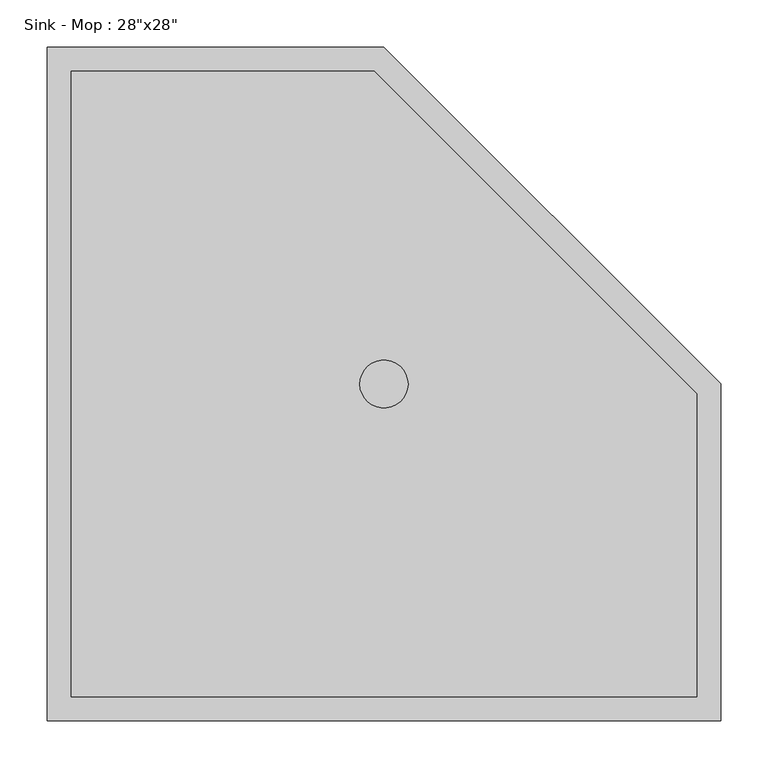
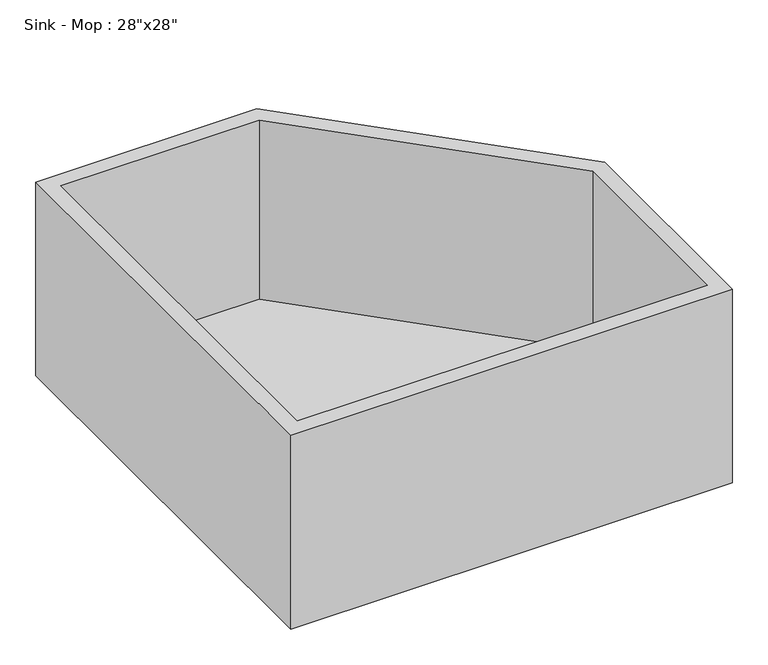
"""IFC4 building model written with IfcOpenShell, lengths in millimetres: flow terminal geometry."""

import ifcopenshell
import ifcopenshell.guid

model = None  # the IFC model being written
_history = None  # IfcOwnerHistory: only IFC2X3 demands one
_inside = {}  # id of a spatial element -> (the spatial element, [elements in it])
_under = {}  # id of a project, library or spatial element -> (it, [spatial elements below it])
_declared = {}  # id of a project -> (the project, [libraries it declares])
_typed = {}  # id of a type object -> (the type object, [elements of that type])
_made_of = {}  # id of a material, layer set ... -> (it, [elements and type objects made of it])


def new_model(schema):
    """Start an empty IFC model of exactly this schema.

    Asked for "IFC4X3", IfcOpenShell would pick the latest addendum, in which some entities
    have other attributes; the version numbers below select the first issue.
    IFC2X3 requires an IfcOwnerHistory on every rooted entity: one is made here for all.
    """
    global model, _history
    if schema == "IFC4X3":
        model = ifcopenshell.file(schema_version=(4, 3, 0, 0))
    else:
        model = ifcopenshell.file(schema=schema)
    _inside.clear()
    _under.clear()
    _declared.clear()
    _typed.clear()
    _made_of.clear()
    _history = None
    if model.schema == "IFC2X3":
        org = make("IfcOrganization", Name="unknown")
        user = make(
            "IfcPersonAndOrganization",
            ThePerson=make("IfcPerson", FamilyName="unknown"),
            TheOrganization=org,
        )
        app = make(
            "IfcApplication",
            ApplicationDeveloper=org,
            Version="unknown",
            ApplicationFullName="unknown",
            ApplicationIdentifier="unknown",
        )
        _history = make(
            "IfcOwnerHistory",
            OwningUser=user,
            OwningApplication=app,
            ChangeAction="ADDED",
            CreationDate=0,
        )
    return model


def make(cls, **values):
    """One entity of the class cls with the attributes given. An attribute that is None is left unset."""
    return model.create_entity(
        cls, **{name: value for name, value in values.items() if value is not None}
    )


def rooted(cls, **values):
    """An entity with a GlobalId (a new one), such as an element, a storey or a relation."""
    return make(cls, GlobalId=ifcopenshell.guid.new(), OwnerHistory=_history, **values)


def si_unit(unit_type, name, prefix=None):
    """IfcSIUnit, for example si_unit("LENGTHUNIT", "METRE", prefix="MILLI")."""
    return make("IfcSIUnit", UnitType=unit_type, Prefix=prefix, Name=name)


def assignment(units):
    """IfcUnitAssignment: the units of a project."""
    return None if units is None else make("IfcUnitAssignment", Units=units)


def point(xyz):
    """IfcCartesianPoint."""
    return None if xyz is None else make("IfcCartesianPoint", Coordinates=xyz)


def direction(xyz):
    """IfcDirection."""
    return None if xyz is None else make("IfcDirection", DirectionRatios=xyz)


def frame(location, z_axis=None, x_axis=None):
    """IfcAxis2Placement3D, a coordinate frame: its origin and axes. An axis left out is left unset."""
    return make(
        "IfcAxis2Placement3D",
        Location=point(location),
        Axis=direction(z_axis),
        RefDirection=direction(x_axis),
    )


def frame_2d(location, x_axis=None):
    """IfcAxis2Placement2D, a coordinate frame in the plane: its origin and x axis."""
    return make(
        "IfcAxis2Placement2D", Location=point(location), RefDirection=direction(x_axis)
    )


def origin():
    """The frame at (0, 0, 0) with its axes left unset."""
    return frame((0.0, 0.0, 0.0))


def origin_with_axes():
    """The frame at (0, 0, 0) with the z axis (0, 0, 1) and the x axis (1, 0, 0) written out."""
    return frame((0.0, 0.0, 0.0), z_axis=(0.0, 0.0, 1.0), x_axis=(1.0, 0.0, 0.0))


def place(relative_to, where):
    """IfcLocalPlacement: puts the frame where relative to a parent placement (None: the world)."""
    return make(
        "IfcLocalPlacement", PlacementRelTo=relative_to, RelativePlacement=where
    )


def context(
    kind, dimensions, precision=None, world=None, true_north=None, identifier=None
):
    """IfcGeometricRepresentationContext, for example the 3D "Model" context."""
    return make(
        "IfcGeometricRepresentationContext",
        ContextIdentifier=identifier,
        ContextType=kind,
        CoordinateSpaceDimension=dimensions,
        Precision=precision,
        WorldCoordinateSystem=world,
        TrueNorth=true_north,
    )


def project(units=None, contexts=None):
    """IfcProject with its units and contexts."""
    return rooted(
        "IfcProject",
        Name="project",
        RepresentationContexts=contexts,
        UnitsInContext=assignment(units),
    )


def spatial(cls, under=None, at=None, **own):
    """A site, building, storey or space (cls), placed at a placement, below another one or the project."""
    s = rooted(cls, ObjectPlacement=at, **own)
    if under is not None:
        _under.setdefault(under.id(), (under, []))[1].append(s)
    return s


def polyline(points):
    """IfcPolyline through the points."""
    return make("IfcPolyline", Points=[point(p) for p in points])


def circle_curve(where, radius):
    """IfcCircle in the frame where."""
    return make("IfcCircle", Position=where, Radius=radius)


def trimmed(basis, trim1, trim2, sense, master):
    """IfcTrimmedCurve: the piece of a basis curve between two trims."""
    return make(
        "IfcTrimmedCurve",
        BasisCurve=basis,
        Trim1=trim1,
        Trim2=trim2,
        SenseAgreement=sense,
        MasterRepresentation=master,
    )


def segment(curve, same_sense, transition):
    """IfcCompositeCurveSegment."""
    return make(
        "IfcCompositeCurveSegment",
        Transition=transition,
        SameSense=same_sense,
        ParentCurve=curve,
    )


def composite_curve(segments, self_intersect=None):
    """IfcCompositeCurve: segments joined end to end."""
    return make("IfcCompositeCurve", Segments=segments, SelfIntersect=self_intersect)


def outline(outer, holes=None, kind="AREA"):
    """IfcArbitraryClosedProfileDef: a profile drawn as a closed curve; with holes, ...WithVoids."""
    if holes is None:
        return make("IfcArbitraryClosedProfileDef", ProfileType=kind, OuterCurve=outer)
    return make(
        "IfcArbitraryProfileDefWithVoids",
        ProfileType=kind,
        OuterCurve=outer,
        InnerCurves=holes,
    )


def extrude(swept, where, along, depth):
    """IfcExtrudedAreaSolid: the profile swept, set in the frame where, extruded along a direction by depth."""
    return make(
        "IfcExtrudedAreaSolid",
        SweptArea=swept,
        Position=where,
        ExtrudedDirection=direction(along),
        Depth=depth,
    )


def shape(context_of_items, identifier, shape_type, items):
    """IfcShapeRepresentation: the items that make up one representation, for example the "Body"."""
    return make(
        "IfcShapeRepresentation",
        ContextOfItems=context_of_items,
        RepresentationIdentifier=identifier,
        RepresentationType=shape_type,
        Items=items,
    )


def source(mapping_origin, context_of_items, identifier, shape_type, items):
    """IfcRepresentationMap: a shape defined once, which mapped items show again and again."""
    return make(
        "IfcRepresentationMap",
        MappingOrigin=mapping_origin,
        MappedRepresentation=shape(context_of_items, identifier, shape_type, items),
    )


def transform(
    local_origin,
    x_axis=None,
    y_axis=None,
    z_axis=None,
    scale=None,
    scale2=None,
    scale3=None,
    uniform=True,
):
    """IfcCartesianTransformationOperator3D, or its non-uniform kind. x_axis, y_axis, z_axis: its Axis1, 2, 3."""
    if uniform:
        return make(
            "IfcCartesianTransformationOperator3D",
            Axis1=direction(x_axis),
            Axis2=direction(y_axis),
            LocalOrigin=point(local_origin),
            Scale=scale,
            Axis3=direction(z_axis),
        )
    return make(
        "IfcCartesianTransformationOperator3DnonUniform",
        Axis1=direction(x_axis),
        Axis2=direction(y_axis),
        LocalOrigin=point(local_origin),
        Scale=scale,
        Axis3=direction(z_axis),
        Scale2=scale2,
        Scale3=scale3,
    )


def mapped(mapping_source, mapping_target):
    """IfcMappedItem: shows the shape of a source again, moved by a transform."""
    return make(
        "IfcMappedItem", MappingSource=mapping_source, MappingTarget=mapping_target
    )


def made_of(thing, what):
    """Note that an element or type object is made of a material, layer set ...; save() writes the relation."""
    if what is not None:
        _made_of.setdefault(what.id(), (what, []))[1].append(thing)
    return thing


def element(
    cls,
    number,
    at=None,
    inside=None,
    cuts=None,
    type_object=None,
    material=None,
    context=None,
    identifier="Body",
    shape_type=None,
    held_by="IfcProductDefinitionShape",
    body=None,
    shapes=None,
    **own,
):
    """One element of the class cls, such as IfcWall. Its Tag is "e" and its number.

    at: its placement. inside: the storey or other place that contains it. cuts: it is an
    opening in that element (IfcRelVoidsElement). A single representation is given by context,
    identifier, shape_type and body (its items); several are given by shapes. held_by: the class
    of the entity that holds the representations. save() writes the other relations.
    """
    e = rooted(cls, Tag="e%d" % number, ObjectPlacement=at, **own)
    if body is not None:
        shapes = [shape(context, identifier, shape_type, body)]
    if shapes is not None:
        e.Representation = make(held_by, Representations=shapes)
    if inside is not None:
        _inside.setdefault(inside.id(), (inside, []))[1].append(e)
    if cuts is not None:
        rooted(
            "IfcRelVoidsElement", RelatingBuildingElement=cuts, RelatedOpeningElement=e
        )
    if type_object is not None:
        _typed.setdefault(type_object.id(), (type_object, []))[1].append(e)
    return made_of(e, material)


def aggregate(whole, parts):
    """IfcRelAggregates: a whole, such as a stair, and the parts it consists of."""
    return rooted("IfcRelAggregates", RelatingObject=whole, RelatedObjects=parts)


def save(model, path):
    """Write the relations noted so far, then the file.

    IfcRelAggregates (storeys below a building ...), IfcRelContainedInSpatialStructure (elements
    in a storey), IfcRelDefinesByType, IfcRelAssociatesMaterial and IfcRelDeclares: one each for
    every whole, place, type object, material and project.
    """
    for whole, parts in _under.values():
        aggregate(whole, parts)
    for where, things in _inside.values():
        rooted(
            "IfcRelContainedInSpatialStructure",
            RelatedElements=things,
            RelatingStructure=where,
        )
    for kind, things in _typed.values():
        rooted("IfcRelDefinesByType", RelatedObjects=things, RelatingType=kind)
    for what, things in _made_of.values():
        rooted("IfcRelAssociatesMaterial", RelatedObjects=things, RelatingMaterial=what)
    for by, libraries in _declared.values():
        rooted("IfcRelDeclares", RelatingContext=by, RelatedDefinitions=libraries)
    model.write(path)


def plane_surface(at):
    """IfcPlane: the flat surface through the origin of the frame at, square to its z axis."""
    return make("IfcPlane", Position=at)


def revolved_surface(curve, axis_point, axis_direction):
    """IfcSurfaceOfRevolution: the curve turned about the line through axis_point along axis_direction."""
    return make(
        "IfcSurfaceOfRevolution",
        SweptCurve=make("IfcArbitraryOpenProfileDef", ProfileType="CURVE", Curve=curve),
        AxisPosition=make("IfcAxis1Placement", Location=point(axis_point), Axis=direction(axis_direction)),
    )


def advanced_brep(points, edges, surfaces, faces):
    """IfcAdvancedBrep: a solid bounded by faces that lie on surfaces and meet in shared edges.

    An edge is (start, end): straight between two places in points (the first is 0);
    or (start, end, curve); or (start, end, curve, False) where it runs against its curve.
    A face is (place in surfaces, loops), or (place, loops, False) where it looks against
    its surface's normal. A loop lists edges by number (the first is 1), with a minus sign
    where the edge is run from its end to its start. The first loop is the outer one.
    """
    corners = [point(p) for p in points]
    vertices = [make("IfcVertexPoint", VertexGeometry=c) for c in corners]
    made = []
    for start, end, *more in edges:
        made.append(
            make(
                "IfcEdgeCurve",
                EdgeStart=vertices[start],
                EdgeEnd=vertices[end],
                EdgeGeometry=more[0] if more else make("IfcPolyline", Points=[corners[start], corners[end]]),
                SameSense=more[1] if len(more) > 1 else True,
            )
        )
    hull = []
    for where, loops, *sense in faces:
        bounds = []
        for j, loop in enumerate(loops):
            ring = [make("IfcOrientedEdge", EdgeElement=made[abs(k) - 1], Orientation=k > 0) for k in loop]
            bounds.append(
                make(
                    "IfcFaceOuterBound" if j == 0 else "IfcFaceBound",
                    Bound=make("IfcEdgeLoop", EdgeList=ring),
                    Orientation=True,
                )
            )
        hull.append(make("IfcAdvancedFace", Bounds=bounds, FaceSurface=surfaces[where], SameSense=sense[0] if sense else True))
    return make("IfcAdvancedBrep", Outer=make("IfcClosedShell", CfsFaces=hull))


def flow_terminal_7b5c5b30(model_context):
    return source(origin(), model_context, "Body", "SolidModel", [
        extrude(outline(composite_curve([segment(trimmed(circle_curve(frame_2d((355.6, 355.6)), 25.4), [point((330.2, 355.6))], [point((381.0, 355.6))], False, "CARTESIAN"), True, "CONTINUOUS"), segment(trimmed(circle_curve(frame_2d((355.6, 355.6)), 25.4), [point((381.0, 355.6))], [point((330.2, 355.6))], False, "CARTESIAN"), True, "CONTINUOUS")], self_intersect=False)), origin_with_axes(), (0.0, 0.0, 1.0), 25.4),
        advanced_brep(
        [(711.2, 0.0, 330.2), (711.2, 355.6, 330.2), (355.6, 711.2, 330.2), (0.0, 711.2, 330.2), (0.0, 0.0, 330.2), (25.4, 25.4, 330.2), (25.4, 685.8, 330.2), (345.0789755, 685.8, 330.2), (685.8, 345.0789755, 330.2), (685.8, 25.4, 330.2), (711.2, 0.0, 0.0), (0.0, 0.0, 0.0), (0.0, 711.2, 0.0), (355.6, 711.2, 0.0), (711.2, 355.6, 0.0), (330.2, 355.6, 0.0), (381.0, 355.6, 0.0), (685.8, 25.4, 25.4), (685.8, 345.0789755, 25.4), (345.0789755, 685.8, 25.4), (25.4, 685.8, 25.4), (25.4, 25.4, 25.4), (381.0, 355.6, 25.4), (330.2, 355.6, 25.4)],
        [
            (0, 1),
            (1, 2),
            (2, 3),
            (3, 4),
            (4, 0),
            (5, 6),
            (6, 7),
            (7, 8),
            (8, 9),
            (9, 5),
            (10, 11),
            (11, 12),
            (12, 13),
            (13, 14),
            (14, 10),
            (15, 16, circle_curve(frame((355.6, 355.6, 0.0), z_axis=(0.0, 0.0, 1.0), x_axis=(1.0, 0.0, 0.0)), 25.4)),
            (16, 15, circle_curve(frame((355.6, 355.6, 0.0), z_axis=(0.0, 0.0, 1.0), x_axis=(1.0, 0.0, 0.0)), 25.4)),
            (4, 11),
            (10, 0),
            (3, 12),
            (2, 13),
            (1, 14),
            (17, 18),
            (18, 19),
            (19, 20),
            (20, 21),
            (21, 17),
            (22, 23, circle_curve(frame((355.6, 355.6, 25.4), z_axis=(0.0, 0.0, -1.0), x_axis=(1.0, 0.0, 0.0)), 25.4)),
            (23, 22, circle_curve(frame((355.6, 355.6, 25.4), z_axis=(0.0, 0.0, -1.0), x_axis=(1.0, 0.0, 0.0)), 25.4)),
            (21, 5),
            (9, 17),
            (20, 6),
            (19, 7),
            (18, 8),
            (23, 15),
            (16, 22),
        ],
        [
            plane_surface(frame((0.0, 0.0, 330.2), z_axis=(0.0, 0.0, 1.0), x_axis=(-1.0, 0.0, 0.0))),
            plane_surface(frame((0.0, 0.0, 0.0), z_axis=(0.0, 0.0, -1.0), x_axis=(1.0, 0.0, 0.0))),
            plane_surface(frame((711.2, 0.0, 330.2), z_axis=(0.0, -1.0, 0.0), x_axis=(0.0, 0.0, -1.0))),
            plane_surface(frame((0.0, 0.0, 330.2), z_axis=(-1.0, 0.0, 0.0), x_axis=(0.0, 0.0, -1.0))),
            plane_surface(frame((0.0, 711.2, 330.2), z_axis=(0.0, 1.0, 0.0), x_axis=(0.0, 0.0, -1.0))),
            plane_surface(frame((355.6, 711.2, 330.2), z_axis=(0.7071067811865531, 0.707106781186542, 0.0), x_axis=(0.0, 0.0, -1.0))),
            plane_surface(frame((711.2, 355.6, 330.2), z_axis=(1.0, 0.0, 0.0), x_axis=(0.0, 0.0, -1.0))),
            plane_surface(frame((25.4, 25.4, 25.4), z_axis=(0.0, 0.0, 1.0), x_axis=(1.0, 0.0, 0.0))),
            plane_surface(frame((685.8, 25.4, 330.2), z_axis=(0.0, 1.0, 0.0), x_axis=(0.0, 0.0, -1.0))),
            plane_surface(frame((25.4, 25.4, 330.2), z_axis=(1.0, 0.0, 0.0), x_axis=(0.0, 0.0, -1.0))),
            plane_surface(frame((25.4, 685.8, 330.2), z_axis=(0.0, -1.0, 0.0), x_axis=(0.0, 0.0, -1.0))),
            plane_surface(frame((345.0789755, 685.8, 330.2), z_axis=(-0.707106781186546, -0.707106781186549, 0.0), x_axis=(0.0, 0.0, -1.0))),
            plane_surface(frame((685.8, 345.0789755, 330.2), z_axis=(-1.0, 0.0, 0.0), x_axis=(0.0, 0.0, -1.0))),
            revolved_surface(polyline([(381.0, 355.6, 25.4), (381.0, 355.6, 0.0)]), (355.6, 355.6, 0.0), (0.0, 0.0, 1.0)),
        ],
        [
            (0, [[1, 2, 3, 4, 5], [6, 7, 8, 9, 10]]),
            (1, [[11, 12, 13, 14, 15], [16, 17]]),
            (2, [[18, -11, 19, -5]]),
            (3, [[20, -12, -18, -4]]),
            (4, [[21, -13, -20, -3]]),
            (5, [[22, -14, -21, -2]]),
            (6, [[-19, -15, -22, -1]]),
            (7, [[23, 24, 25, 26, 27], [28, 29]]),
            (8, [[30, -10, 31, -27]]),
            (9, [[32, -6, -30, -26]]),
            (10, [[33, -7, -32, -25]]),
            (11, [[34, -8, -33, -24]]),
            (12, [[-31, -9, -34, -23]]),
            (13, [[-29, 35, -17, 36]]),
            (13, [[-16, -35, -28, -36]]),
        ],
    ),
    ])


if __name__ == "__main__":
    model = new_model("IFC4")
    model_context = context("Model", 3, world=origin())
    ifc_project = project(units=[si_unit("LENGTHUNIT", "METRE", prefix="MILLI")], contexts=[model_context])
    site = spatial("IfcSite", under=ifc_project)
    building = spatial("IfcBuilding", under=site)
    placement = place(None, origin())
    flow_terminal_shape = flow_terminal_7b5c5b30(model_context)
    element("IfcFlowTerminal", 1, ObjectType="Sink - Mop : 28\"x28\"", at=placement, inside=building, context=model_context, shape_type="MappedRepresentation", body=[
        mapped(flow_terminal_shape, transform((0.0, 0.0, 0.0), x_axis=(1.0, 0.0, 0.0), y_axis=(0.0, 1.0, 0.0), z_axis=(0.0, 0.0, 1.0))),
    ])
    save(model, "model.ifc")
